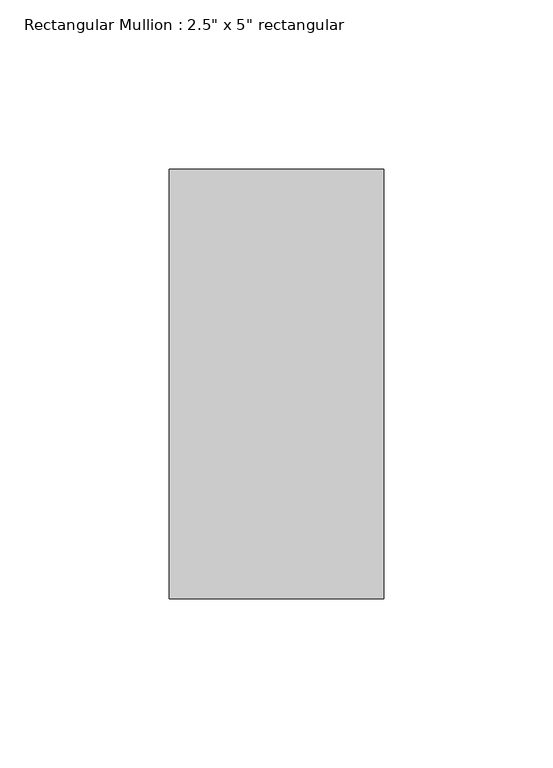
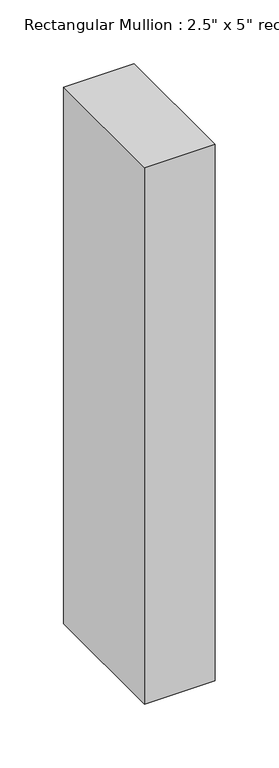
"""IFC4 building model written with IfcOpenShell, lengths in millimetres: member geometry."""

import ifcopenshell
import ifcopenshell.guid

model = None  # the IFC model being written
_history = None  # IfcOwnerHistory: only IFC2X3 demands one
_inside = {}  # id of a spatial element -> (the spatial element, [elements in it])
_under = {}  # id of a project, library or spatial element -> (it, [spatial elements below it])
_declared = {}  # id of a project -> (the project, [libraries it declares])
_typed = {}  # id of a type object -> (the type object, [elements of that type])
_made_of = {}  # id of a material, layer set ... -> (it, [elements and type objects made of it])


def new_model(schema):
    """Start an empty IFC model of exactly this schema.

    Asked for "IFC4X3", IfcOpenShell would pick the latest addendum, in which some entities
    have other attributes; the version numbers below select the first issue.
    IFC2X3 requires an IfcOwnerHistory on every rooted entity: one is made here for all.
    """
    global model, _history
    if schema == "IFC4X3":
        model = ifcopenshell.file(schema_version=(4, 3, 0, 0))
    else:
        model = ifcopenshell.file(schema=schema)
    _inside.clear()
    _under.clear()
    _declared.clear()
    _typed.clear()
    _made_of.clear()
    _history = None
    if model.schema == "IFC2X3":
        org = make("IfcOrganization", Name="unknown")
        user = make(
            "IfcPersonAndOrganization",
            ThePerson=make("IfcPerson", FamilyName="unknown"),
            TheOrganization=org,
        )
        app = make(
            "IfcApplication",
            ApplicationDeveloper=org,
            Version="unknown",
            ApplicationFullName="unknown",
            ApplicationIdentifier="unknown",
        )
        _history = make(
            "IfcOwnerHistory",
            OwningUser=user,
            OwningApplication=app,
            ChangeAction="ADDED",
            CreationDate=0,
        )
    return model


def make(cls, **values):
    """One entity of the class cls with the attributes given. An attribute that is None is left unset."""
    return model.create_entity(
        cls, **{name: value for name, value in values.items() if value is not None}
    )


def rooted(cls, **values):
    """An entity with a GlobalId (a new one), such as an element, a storey or a relation."""
    return make(cls, GlobalId=ifcopenshell.guid.new(), OwnerHistory=_history, **values)


def si_unit(unit_type, name, prefix=None):
    """IfcSIUnit, for example si_unit("LENGTHUNIT", "METRE", prefix="MILLI")."""
    return make("IfcSIUnit", UnitType=unit_type, Prefix=prefix, Name=name)


def assignment(units):
    """IfcUnitAssignment: the units of a project."""
    return None if units is None else make("IfcUnitAssignment", Units=units)


def point(xyz):
    """IfcCartesianPoint."""
    return None if xyz is None else make("IfcCartesianPoint", Coordinates=xyz)


def direction(xyz):
    """IfcDirection."""
    return None if xyz is None else make("IfcDirection", DirectionRatios=xyz)


def frame(location, z_axis=None, x_axis=None):
    """IfcAxis2Placement3D, a coordinate frame: its origin and axes. An axis left out is left unset."""
    return make(
        "IfcAxis2Placement3D",
        Location=point(location),
        Axis=direction(z_axis),
        RefDirection=direction(x_axis),
    )


def origin():
    """The frame at (0, 0, 0) with its axes left unset."""
    return frame((0.0, 0.0, 0.0))


def place(relative_to, where):
    """IfcLocalPlacement: puts the frame where relative to a parent placement (None: the world)."""
    return make(
        "IfcLocalPlacement", PlacementRelTo=relative_to, RelativePlacement=where
    )


def context(
    kind, dimensions, precision=None, world=None, true_north=None, identifier=None
):
    """IfcGeometricRepresentationContext, for example the 3D "Model" context."""
    return make(
        "IfcGeometricRepresentationContext",
        ContextIdentifier=identifier,
        ContextType=kind,
        CoordinateSpaceDimension=dimensions,
        Precision=precision,
        WorldCoordinateSystem=world,
        TrueNorth=true_north,
    )


def project(units=None, contexts=None):
    """IfcProject with its units and contexts."""
    return rooted(
        "IfcProject",
        Name="project",
        RepresentationContexts=contexts,
        UnitsInContext=assignment(units),
    )


def spatial(cls, under=None, at=None, **own):
    """A site, building, storey or space (cls), placed at a placement, below another one or the project."""
    s = rooted(cls, ObjectPlacement=at, **own)
    if under is not None:
        _under.setdefault(under.id(), (under, []))[1].append(s)
    return s


def polyline(points):
    """IfcPolyline through the points."""
    return make("IfcPolyline", Points=[point(p) for p in points])


def outline(outer, holes=None, kind="AREA"):
    """IfcArbitraryClosedProfileDef: a profile drawn as a closed curve; with holes, ...WithVoids."""
    if holes is None:
        return make("IfcArbitraryClosedProfileDef", ProfileType=kind, OuterCurve=outer)
    return make(
        "IfcArbitraryProfileDefWithVoids",
        ProfileType=kind,
        OuterCurve=outer,
        InnerCurves=holes,
    )


def extrude(swept, where, along, depth):
    """IfcExtrudedAreaSolid: the profile swept, set in the frame where, extruded along a direction by depth."""
    return make(
        "IfcExtrudedAreaSolid",
        SweptArea=swept,
        Position=where,
        ExtrudedDirection=direction(along),
        Depth=depth,
    )


def shape(context_of_items, identifier, shape_type, items):
    """IfcShapeRepresentation: the items that make up one representation, for example the "Body"."""
    return make(
        "IfcShapeRepresentation",
        ContextOfItems=context_of_items,
        RepresentationIdentifier=identifier,
        RepresentationType=shape_type,
        Items=items,
    )


def source(mapping_origin, context_of_items, identifier, shape_type, items):
    """IfcRepresentationMap: a shape defined once, which mapped items show again and again."""
    return make(
        "IfcRepresentationMap",
        MappingOrigin=mapping_origin,
        MappedRepresentation=shape(context_of_items, identifier, shape_type, items),
    )


def transform(
    local_origin,
    x_axis=None,
    y_axis=None,
    z_axis=None,
    scale=None,
    scale2=None,
    scale3=None,
    uniform=True,
):
    """IfcCartesianTransformationOperator3D, or its non-uniform kind. x_axis, y_axis, z_axis: its Axis1, 2, 3."""
    if uniform:
        return make(
            "IfcCartesianTransformationOperator3D",
            Axis1=direction(x_axis),
            Axis2=direction(y_axis),
            LocalOrigin=point(local_origin),
            Scale=scale,
            Axis3=direction(z_axis),
        )
    return make(
        "IfcCartesianTransformationOperator3DnonUniform",
        Axis1=direction(x_axis),
        Axis2=direction(y_axis),
        LocalOrigin=point(local_origin),
        Scale=scale,
        Axis3=direction(z_axis),
        Scale2=scale2,
        Scale3=scale3,
    )


def mapped(mapping_source, mapping_target):
    """IfcMappedItem: shows the shape of a source again, moved by a transform."""
    return make(
        "IfcMappedItem", MappingSource=mapping_source, MappingTarget=mapping_target
    )


def made_of(thing, what):
    """Note that an element or type object is made of a material, layer set ...; save() writes the relation."""
    if what is not None:
        _made_of.setdefault(what.id(), (what, []))[1].append(thing)
    return thing


def element(
    cls,
    number,
    at=None,
    inside=None,
    cuts=None,
    type_object=None,
    material=None,
    context=None,
    identifier="Body",
    shape_type=None,
    held_by="IfcProductDefinitionShape",
    body=None,
    shapes=None,
    **own,
):
    """One element of the class cls, such as IfcWall. Its Tag is "e" and its number.

    at: its placement. inside: the storey or other place that contains it. cuts: it is an
    opening in that element (IfcRelVoidsElement). A single representation is given by context,
    identifier, shape_type and body (its items); several are given by shapes. held_by: the class
    of the entity that holds the representations. save() writes the other relations.
    """
    e = rooted(cls, Tag="e%d" % number, ObjectPlacement=at, **own)
    if body is not None:
        shapes = [shape(context, identifier, shape_type, body)]
    if shapes is not None:
        e.Representation = make(held_by, Representations=shapes)
    if inside is not None:
        _inside.setdefault(inside.id(), (inside, []))[1].append(e)
    if cuts is not None:
        rooted(
            "IfcRelVoidsElement", RelatingBuildingElement=cuts, RelatedOpeningElement=e
        )
    if type_object is not None:
        _typed.setdefault(type_object.id(), (type_object, []))[1].append(e)
    return made_of(e, material)


def aggregate(whole, parts):
    """IfcRelAggregates: a whole, such as a stair, and the parts it consists of."""
    return rooted("IfcRelAggregates", RelatingObject=whole, RelatedObjects=parts)


def save(model, path):
    """Write the relations noted so far, then the file.

    IfcRelAggregates (storeys below a building ...), IfcRelContainedInSpatialStructure (elements
    in a storey), IfcRelDefinesByType, IfcRelAssociatesMaterial and IfcRelDeclares: one each for
    every whole, place, type object, material and project.
    """
    for whole, parts in _under.values():
        aggregate(whole, parts)
    for where, things in _inside.values():
        rooted(
            "IfcRelContainedInSpatialStructure",
            RelatedElements=things,
            RelatingStructure=where,
        )
    for kind, things in _typed.values():
        rooted("IfcRelDefinesByType", RelatedObjects=things, RelatingType=kind)
    for what, things in _made_of.values():
        rooted("IfcRelAssociatesMaterial", RelatedObjects=things, RelatingMaterial=what)
    for by, libraries in _declared.values():
        rooted("IfcRelDeclares", RelatingContext=by, RelatedDefinitions=libraries)
    model.write(path)


def member_01236332(model_context):
    return source(origin(), model_context, "Body", "SweptSolid", [
        extrude(outline(polyline([(0.0, 63.5), (0.0, -63.5), (-63.5, -63.5), (-63.5, 63.5), (0.0, 63.5)])), frame((0.0, 0.0, -512.7624997), z_axis=(0.0, 0.0, 1.0), x_axis=(1.0, 0.0, 0.0)), (0.0, 0.0, 1.0), 512.7624997),
    ])


if __name__ == "__main__":
    model = new_model("IFC4")
    model_context = context("Model", 3, world=origin())
    ifc_project = project(units=[si_unit("LENGTHUNIT", "METRE", prefix="MILLI")], contexts=[model_context])
    site = spatial("IfcSite", under=ifc_project)
    building = spatial("IfcBuilding", under=site)
    placement = place(None, origin())
    member_shape = member_01236332(model_context)
    element("IfcMember", 1, ObjectType="Rectangular Mullion : 2.5\" x 5\" rectangular", at=placement, inside=building, context=model_context, shape_type="MappedRepresentation", body=[
        mapped(member_shape, transform((0.0, 0.0, 0.0), x_axis=(1.0, 0.0, 0.0), y_axis=(0.0, 1.0, 0.0), z_axis=(0.0, 0.0, 1.0))),
    ])
    save(model, "model.ifc")
